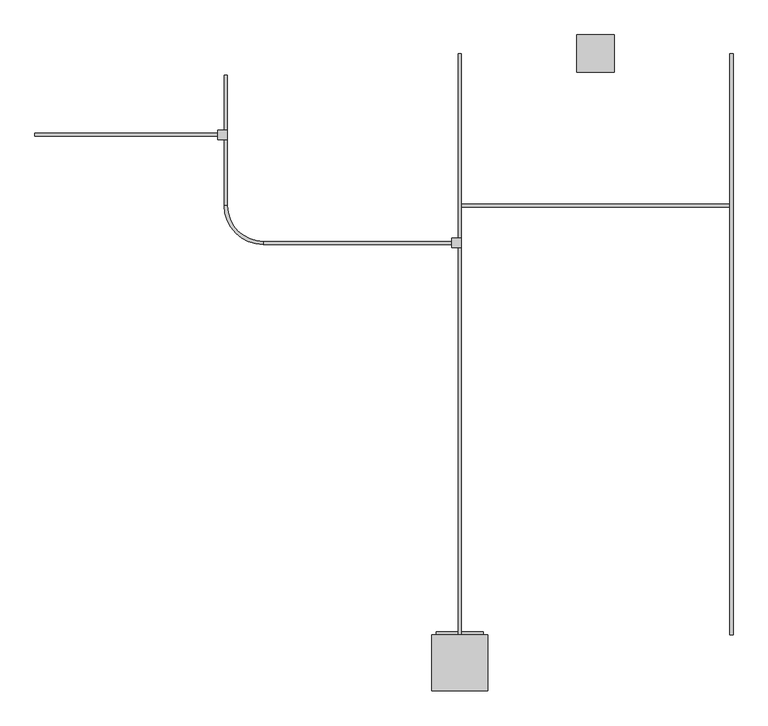
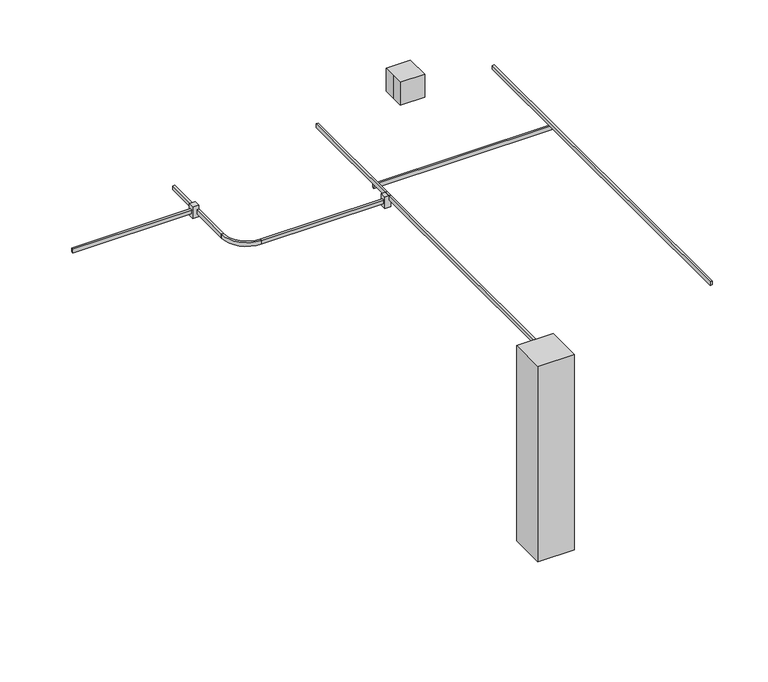
"""IFC4 building model written with IfcOpenShell, lengths in millimetres: proxy geometry."""

from ifc_helpers import new_model, si_unit, point, frame, frame_2d, origin, origin_with_axes, place, context, project, spatial, polyline, circle_curve, trimmed, segment, composite_curve, outline, extrude, source, transform, mapped, element, save


def specialty_equipment_8c8a1958(model_context):
    return source(origin(), model_context, "Body", "SweptSolid", [
        extrude(outline(polyline([(-3068.2289459, -646.7376019), (-3068.2289459, -672.1376019), (-4555.5318481, -672.1376019), (-4555.5318481, -646.7376019), (-3068.2289459, -646.7376019)])), frame((0.0, 0.0, -101.6), z_axis=(0.0, 0.0, 1.0), x_axis=(1.0, 0.0, 0.0)), (0.0, 0.0, 1.0), 50.8),
        extrude(outline(polyline([(-3068.2289459, -621.3376019), (-2992.0289459, -621.3376019), (-2992.0289459, -697.5376019), (-3068.2289459, -697.5376019), (-3068.2289459, -621.3376019)])), frame((0.0, 0.0, -152.4), z_axis=(0.0, 0.0, 1.0), x_axis=(1.0, 0.0, 0.0)), (0.0, 0.0, 1.0), 152.4),
        extrude(outline(composite_curve([segment(trimmed(circle_curve(frame_2d((-2699.9289459, -1234.2099212)), 292.1), [point((-2992.0289459, -1234.2099212))], [point((-2699.9289459, -1526.3099212))], True, "CARTESIAN"), True, "CONTINUOUS"), segment(polyline([(-2699.9289459, -1526.3099212), (-2699.9289459, -1551.7099212)]), True, "CONTINUOUS"), segment(trimmed(circle_curve(frame_2d((-2699.9289459, -1234.2099212)), 317.5), [point((-2699.9289459, -1551.7099212))], [point((-3017.4289459, -1234.2099212))], False, "CARTESIAN"), True, "CONTINUOUS"), segment(polyline([(-3017.4289459, -1234.2099212), (-2992.0289459, -1234.2099212)]), True, "CONTINUOUS")], self_intersect=False)), frame((0.0, 0.0, -101.6), z_axis=(0.0, 0.0, 1.0), x_axis=(1.0, 0.0, 0.0)), (0.0, 0.0, 1.0), 50.8),
        extrude(outline(polyline([(-2992.0289459, -1234.2099212), (-3017.4289459, -1234.2099212), (-3017.4289459, -176.8376019), (-2992.0289459, -176.8376019), (-2992.0289459, -1234.2099212)])), frame((0.0, 0.0, -101.6), z_axis=(0.0, 0.0, 1.0), x_axis=(1.0, 0.0, 0.0)), (0.0, 0.0, 1.0), 50.8),
        extrude(outline(polyline([(-1294.2912788, -4698.9188485), (-913.2912788, -4698.9188485), (-913.2912788, -4724.3188485), (-1294.2912788, -4724.3188485), (-1294.2912788, -4698.9188485)])), frame((0.0, 0.0, -2511.7688632), z_axis=(0.0, 0.0, 1.0), x_axis=(1.0, 0.0, 0.0)), (0.0, 0.0, 1.0), 2410.1688632),
        extrude(outline(polyline([(-875.1912788, -5181.5188485), (-1332.3912788, -5181.5188485), (-1332.3912788, -4724.3188485), (-875.1912788, -4724.3188485), (-875.1912788, -5181.5188485)])), frame((0.0, 0.0, -2590.8), z_axis=(0.0, 0.0, 1.0), x_axis=(1.0, 0.0, 0.0)), (0.0, 0.0, 1.0), 2590.8),
        extrude(outline(polyline([(-1167.2912788, -1500.9099212), (-1091.0912788, -1500.9099212), (-1091.0912788, -1577.1099212), (-1167.2912788, -1577.1099212), (-1167.2912788, -1500.9099212)])), frame((0.0, 0.0, -152.4), z_axis=(0.0, 0.0, 1.0), x_axis=(1.0, 0.0, 0.0)), (0.0, 0.0, 1.0), 152.4),
        extrude(outline(polyline([(-2699.9289459, -1551.7099212), (-2699.9289459, -1526.3099212), (-1167.2912788, -1526.3099212), (-1167.2912788, -1551.7099212), (-2699.9289459, -1551.7099212)])), frame((0.0, 0.0, -101.6), z_axis=(0.0, 0.0, 1.0), x_axis=(1.0, 0.0, 0.0)), (0.0, 0.0, 1.0), 50.8),
        extrude(outline(polyline([(-1091.0912788, -4724.3188485), (-1116.4912788, -4724.3188485), (-1116.4912788, 0.0), (-1091.0912788, 0.0), (-1091.0912788, -4724.3188485)])), frame((0.0, 0.0, -50.8), z_axis=(0.0, 0.0, 1.0), x_axis=(1.0, 0.0, 0.0)), (0.0, 0.0, 1.0), 50.8),
        extrude(outline(polyline([(1116.4912788, -1221.5099212), (1116.4912788, -1246.9099212), (-1116.4912788, -1246.9099212), (-1116.4912788, -1221.5099212), (1116.4912788, -1221.5099212)])), frame((0.0, 0.0, -101.6), z_axis=(0.0, 0.0, 1.0), x_axis=(1.0, 0.0, 0.0)), (0.0, 0.0, 1.0), 50.8),
        extrude(outline(polyline([(1116.4912788, -4724.3188485), (1091.0912788, -4724.3188485), (1091.0912788, 0.0), (1116.4912788, 0.0), (1116.4912788, -4724.3188485)])), frame((0.0, 0.0, -50.8), z_axis=(0.0, 0.0, 1.0), x_axis=(1.0, 0.0, 0.0)), (0.0, 0.0, 1.0), 50.8),
        extrude(outline(polyline([(-152.4, 152.4), (152.4, 152.4), (152.4, -152.4), (-152.4, -152.4), (-152.4, 0.0), (-152.4, 152.4)])), origin_with_axes(), (0.0, 0.0, 1.0), 304.8),
    ])


if __name__ == "__main__":
    model = new_model("IFC4")
    model_context = context("Model", 3, world=origin())
    ifc_project = project(units=[si_unit("LENGTHUNIT", "METRE", prefix="MILLI")], contexts=[model_context])
    site = spatial("IfcSite", under=ifc_project)
    building = spatial("IfcBuilding", under=site)
    placement = place(None, origin())
    specialty_equipment_shape = specialty_equipment_8c8a1958(model_context)
    element("IfcBuildingElementProxy", 1, Name="Specialty Equipment", at=placement, inside=building, context=model_context, shape_type="MappedRepresentation", body=[
        mapped(specialty_equipment_shape, transform((0.0, 0.0, 0.0), x_axis=(1.0, 0.0, 0.0), y_axis=(0.0, 1.0, 0.0), z_axis=(0.0, 0.0, 1.0))),
    ])
    save(model, "model.ifc")
